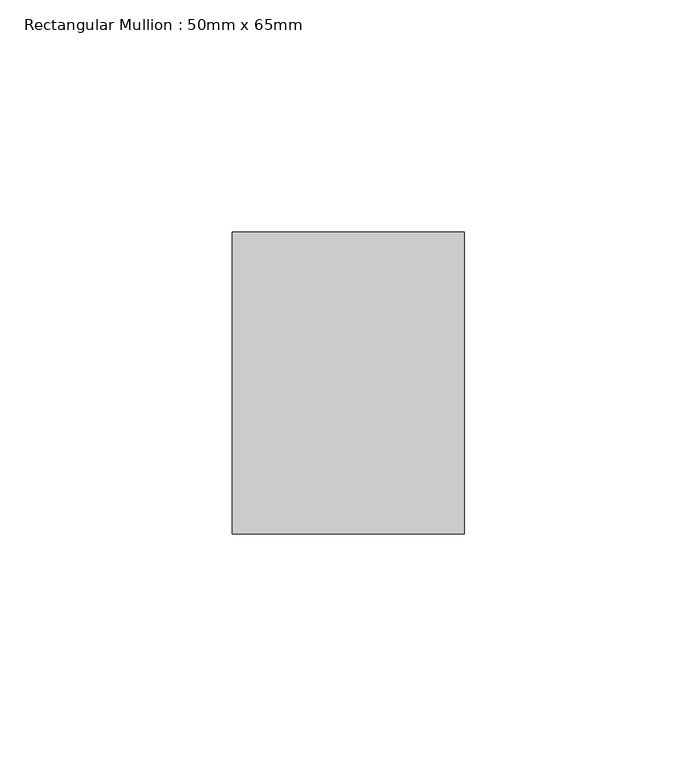
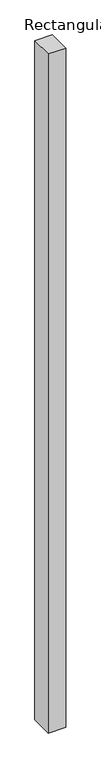
"""IFC4 building model written with IfcOpenShell, lengths in millimetres: member geometry, Rectangular Mullion : 50mm x 65mm."""

from ifc_helpers import new_model, si_unit, frame, origin, place, context, project, spatial, polyline, outline, extrude, source, transform, mapped, element, save


def rectangular_mullion_50mm_x_65mm_693efe9d(model_context):
    return source(origin(), model_context, "Body", "SweptSolid", [
        extrude(outline(polyline([(25.0, 32.5), (25.0, -32.5), (-25.0, -32.5), (-25.0, 32.5), (25.0, 32.5)])), frame((0.0, 0.0, -2042.0388421), z_axis=(0.0, 0.0, 1.0), x_axis=(1.0, 0.0, 0.0)), (0.0, 0.0, 1.0), 2042.0388421),
    ])


if __name__ == "__main__":
    model = new_model("IFC4")
    model_context = context("Model", 3, world=origin())
    ifc_project = project(units=[si_unit("LENGTHUNIT", "METRE", prefix="MILLI")], contexts=[model_context])
    site = spatial("IfcSite", under=ifc_project)
    building = spatial("IfcBuilding", under=site)
    placement = place(None, origin())
    rectangular_mullion_50mm_x_65mm_shape = rectangular_mullion_50mm_x_65mm_693efe9d(model_context)
    element("IfcMember", 1, ObjectType="Rectangular Mullion : 50mm x 65mm", at=placement, inside=building, context=model_context, shape_type="MappedRepresentation", body=[
        mapped(rectangular_mullion_50mm_x_65mm_shape, transform((0.0, 0.0, 0.0), x_axis=(1.0, 0.0, 0.0), y_axis=(0.0, 1.0, 0.0), z_axis=(0.0, 0.0, 1.0))),
    ])
    save(model, "model.ifc")
